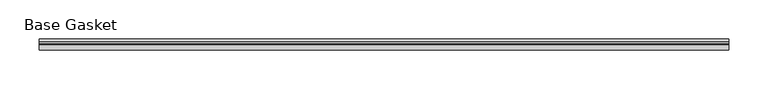
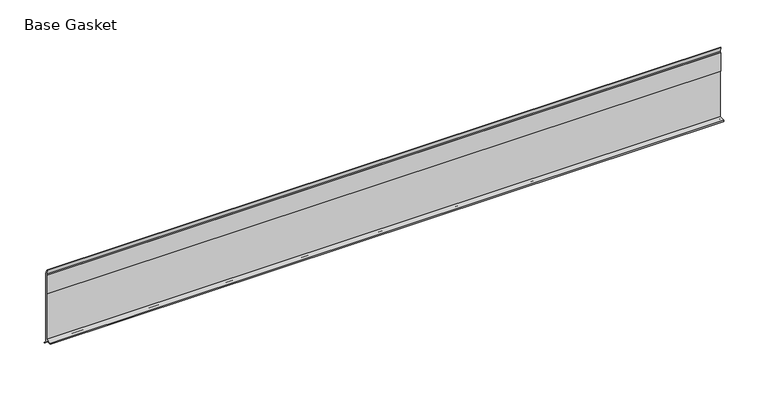
"""IFC4 building model written with IfcOpenShell, lengths in millimetres: furniture geometry, Base Gasket."""

from ifc_helpers import new_model, si_unit, frame, origin, place, context, project, spatial, polyline, outline, extrude, source, transform, mapped, element, save


def base_gasket_614c1a42(model_context):
    return source(origin(), model_context, "Body", "SweptSolid", [
        extrude(outline(polyline([(3.7283812, 98.4568417), (3.7283812, 4.3498477), (7.4222115, 0.6560174), (7.8482342, 0.0), (6.8281054, 0.3520979), (2.2043812, 4.3498477), (2.1334222, 6.3818476), (-6.2405171, 6.3818476), (-6.2405171, 7.9398773), (2.2043812, 7.9398773), (2.2043812, 71.4693447), (1.4106313, 71.4693447), (1.4106313, 96.8693477), (2.2043812, 96.8693477), (2.2043812, 98.4568417), (0.6755308, 104.4162708), (0.6755308, 105.2002997), (1.1891543, 104.587663), (3.7283812, 98.4568417)])), frame((-1527.8982117, 0.0, 0.0), z_axis=(1.0, 0.0, 0.0), x_axis=(0.0, 1.0, 0.0)), (0.0, 0.0, 1.0), 882.7691795),
    ])


if __name__ == "__main__":
    model = new_model("IFC4")
    model_context = context("Model", 3, world=origin())
    ifc_project = project(units=[si_unit("LENGTHUNIT", "METRE", prefix="MILLI")], contexts=[model_context])
    site = spatial("IfcSite", under=ifc_project)
    building = spatial("IfcBuilding", under=site)
    placement = place(None, origin())
    base_gasket_shape = base_gasket_614c1a42(model_context)
    element("IfcFurniture", 1, ObjectType="Base Gasket", at=placement, inside=building, context=model_context, shape_type="MappedRepresentation", body=[
        mapped(base_gasket_shape, transform((0.0, 0.0, 0.0), x_axis=(1.0, 0.0, 0.0), y_axis=(0.0, 1.0, 0.0), z_axis=(0.0, 0.0, 1.0))),
    ])
    save(model, "model.ifc")
